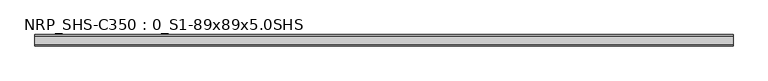
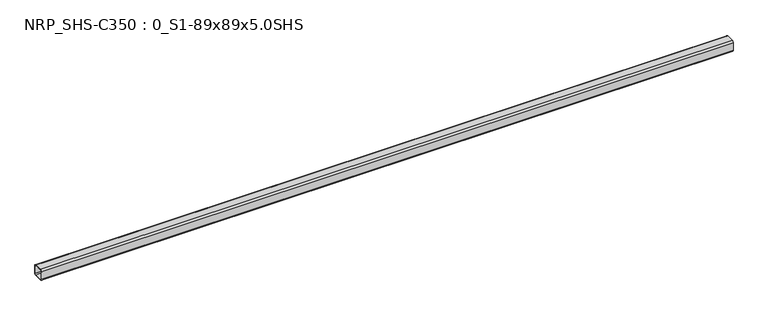
"""IFC4 building model written with IfcOpenShell, lengths in millimetres: beam geometry, NRP_SHS-C350 : 0_S1-89x89x5.0SHS."""

from ifc_helpers import new_model, si_unit, point, frame, frame_2d, origin, place, context, project, spatial, polyline, circle_curve, trimmed, segment, composite_curve, outline, extrude, source, transform, mapped, element, save


def nrp_shs_c350_0_s1_89x89x5_0shs_74642fa0(model_context):
    return source(origin(), model_context, "Body", "SweptSolid", [
        extrude(outline(composite_curve([segment(polyline([(44.5, 32.0), (44.5, -32.0)]), True, "CONTINUOUS"), segment(trimmed(circle_curve(frame_2d((32.0, -32.0)), 12.5), [point((44.5, -32.0))], [point((32.0, -44.5))], False, "CARTESIAN"), True, "CONTINUOUS"), segment(polyline([(32.0, -44.5), (-32.0, -44.5)]), True, "CONTINUOUS"), segment(trimmed(circle_curve(frame_2d((-32.0, -32.0)), 12.5), [point((-32.0, -44.5))], [point((-44.5, -32.0))], False, "CARTESIAN"), True, "CONTINUOUS"), segment(polyline([(-44.5, -32.0), (-44.5, 32.0)]), True, "CONTINUOUS"), segment(trimmed(circle_curve(frame_2d((-32.0, 32.0)), 12.5), [point((-44.5, 32.0))], [point((-32.0, 44.5))], False, "CARTESIAN"), True, "CONTINUOUS"), segment(polyline([(-32.0, 44.5), (32.0, 44.5)]), True, "CONTINUOUS"), segment(trimmed(circle_curve(frame_2d((32.0, 32.0)), 12.5), [point((32.0, 44.5))], [point((44.5, 32.0))], False, "CARTESIAN"), True, "CONTINUOUS")], self_intersect=False), holes=[composite_curve([segment(trimmed(circle_curve(frame_2d((-32.0, 32.0)), 7.5), [point((-32.0, 39.5))], [point((-39.5, 32.0))], True, "CARTESIAN"), True, "CONTINUOUS"), segment(polyline([(-39.5, 32.0), (-39.5, -32.0)]), True, "CONTINUOUS"), segment(trimmed(circle_curve(frame_2d((-32.0, -32.0)), 7.5), [point((-39.5, -32.0))], [point((-32.0, -39.5))], True, "CARTESIAN"), True, "CONTINUOUS"), segment(polyline([(-32.0, -39.5), (32.0, -39.5)]), True, "CONTINUOUS"), segment(trimmed(circle_curve(frame_2d((32.0, -32.0)), 7.5), [point((32.0, -39.5))], [point((39.5, -32.0))], True, "CARTESIAN"), True, "CONTINUOUS"), segment(polyline([(39.5, -32.0), (39.5, 32.0)]), True, "CONTINUOUS"), segment(trimmed(circle_curve(frame_2d((32.0, 32.0)), 7.5), [point((39.5, 32.0))], [point((32.0, 39.5))], True, "CARTESIAN"), True, "CONTINUOUS"), segment(polyline([(32.0, 39.5), (-32.0, 39.5)]), True, "CONTINUOUS")], self_intersect=False)]), frame((-2762.0, 0.0, 0.0), z_axis=(1.0, 0.0, 0.0), x_axis=(0.0, 1.0, 0.0)), (0.0, 0.0, 1.0), 5554.0),
    ])


if __name__ == "__main__":
    model = new_model("IFC4")
    model_context = context("Model", 3, world=origin())
    ifc_project = project(units=[si_unit("LENGTHUNIT", "METRE", prefix="MILLI")], contexts=[model_context])
    site = spatial("IfcSite", under=ifc_project)
    building = spatial("IfcBuilding", under=site)
    placement = place(None, origin())
    nrp_shs_c350_0_s1_89x89x5_0shs_shape = nrp_shs_c350_0_s1_89x89x5_0shs_74642fa0(model_context)
    element("IfcBeam", 1, ObjectType="NRP_SHS-C350 : 0_S1-89x89x5.0SHS", at=placement, inside=building, context=model_context, shape_type="MappedRepresentation", body=[
        mapped(nrp_shs_c350_0_s1_89x89x5_0shs_shape, transform((0.0, 0.0, 0.0), x_axis=(1.0, 0.0, 0.0), y_axis=(0.0, 1.0, 0.0), z_axis=(0.0, 0.0, 1.0))),
    ])
    save(model, "model.ifc")
